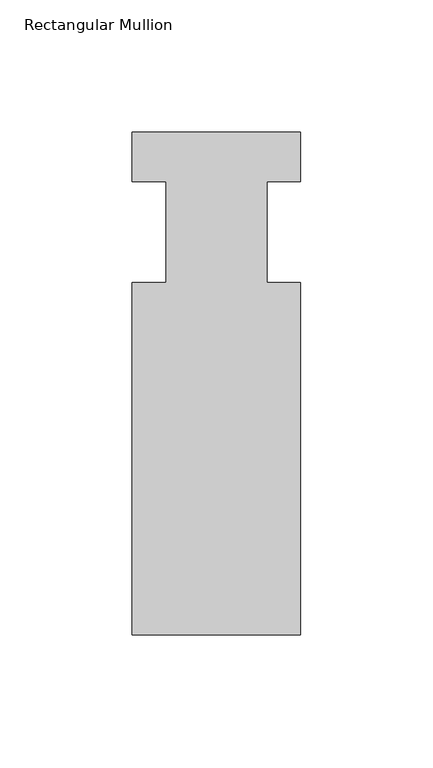
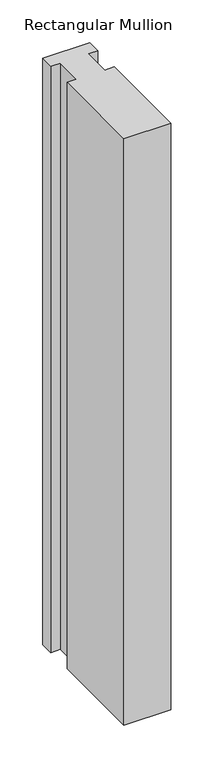
"""IFC4 building model written with IfcOpenShell, lengths in millimetres: member geometry, Rectangular Mullion."""

from ifc_helpers import new_model, si_unit, frame, origin, place, context, project, spatial, polyline, outline, extrude, source, transform, mapped, element, save


def rectangular_mullion_ce877842(model_context):
    return source(origin(), model_context, "Body", "SweptSolid", [
        extrude(outline(polyline([(31.75, -151.9936), (-31.75, -151.9936), (-31.75, -19.05), (-19.05, -19.05), (-19.05, 19.05), (-31.75, 19.05), (-31.75, 37.6936), (31.75, 37.6936), (31.75, 19.05), (19.0499746, 19.05), (19.0499746, -19.05), (31.75, -19.05), (31.75, -151.9936)])), frame((0.0, 0.0, -836.6213402), z_axis=(0.0, 0.0, 1.0), x_axis=(1.0, 0.0, 0.0)), (0.0, 0.0, 1.0), 836.6213402),
    ])


if __name__ == "__main__":
    model = new_model("IFC4")
    model_context = context("Model", 3, world=origin())
    ifc_project = project(units=[si_unit("LENGTHUNIT", "METRE", prefix="MILLI")], contexts=[model_context])
    site = spatial("IfcSite", under=ifc_project)
    building = spatial("IfcBuilding", under=site)
    placement = place(None, origin())
    rectangular_mullion_shape = rectangular_mullion_ce877842(model_context)
    element("IfcMember", 1, ObjectType="Rectangular Mullion", at=placement, inside=building, context=model_context, shape_type="MappedRepresentation", body=[
        mapped(rectangular_mullion_shape, transform((0.0, 0.0, 0.0), x_axis=(1.0, 0.0, 0.0), y_axis=(0.0, 1.0, 0.0), z_axis=(0.0, 0.0, 1.0))),
    ])
    save(model, "model.ifc")
